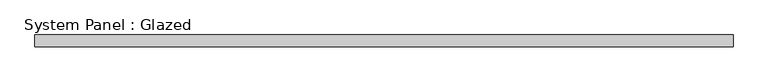
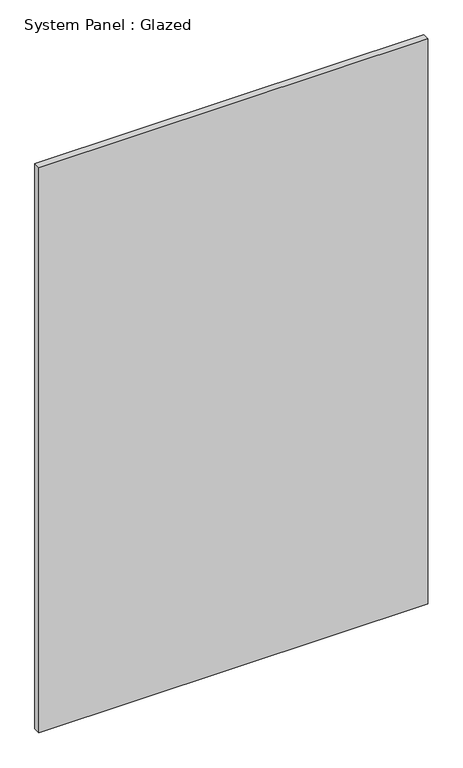
"""IFC4 building model written with IfcOpenShell, lengths in millimetres: plate geometry, System Panel : Glazed."""

from ifc_helpers import new_model, si_unit, origin, origin_with_axes, place, context, project, spatial, polyline, outline, extrude, source, transform, mapped, element, save


def system_panel_glazed_b59d9daa(model_context):
    return source(origin(), model_context, "Body", "SweptSolid", [
        extrude(outline(polyline([(731.7501169, 24.5), (-731.7501169, 24.5), (-731.7501169, 49.5), (731.7501169, 49.5), (731.7501169, 24.5)])), origin_with_axes(), (0.0, 0.0, 1.0), 2250.0),
    ])


if __name__ == "__main__":
    model = new_model("IFC4")
    model_context = context("Model", 3, world=origin())
    ifc_project = project(units=[si_unit("LENGTHUNIT", "METRE", prefix="MILLI")], contexts=[model_context])
    site = spatial("IfcSite", under=ifc_project)
    building = spatial("IfcBuilding", under=site)
    placement = place(None, origin())
    system_panel_glazed_shape = system_panel_glazed_b59d9daa(model_context)
    element("IfcPlate", 1, ObjectType="System Panel : Glazed", at=placement, inside=building, context=model_context, shape_type="MappedRepresentation", body=[
        mapped(system_panel_glazed_shape, transform((0.0, 0.0, 0.0), x_axis=(1.0, 0.0, 0.0), y_axis=(0.0, 1.0, 0.0), z_axis=(0.0, 0.0, 1.0))),
    ])
    save(model, "model.ifc")
